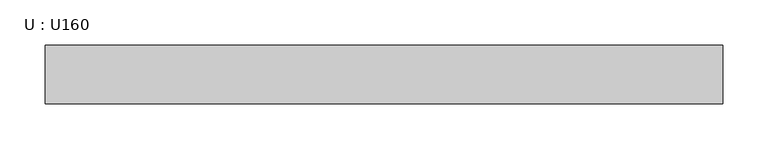
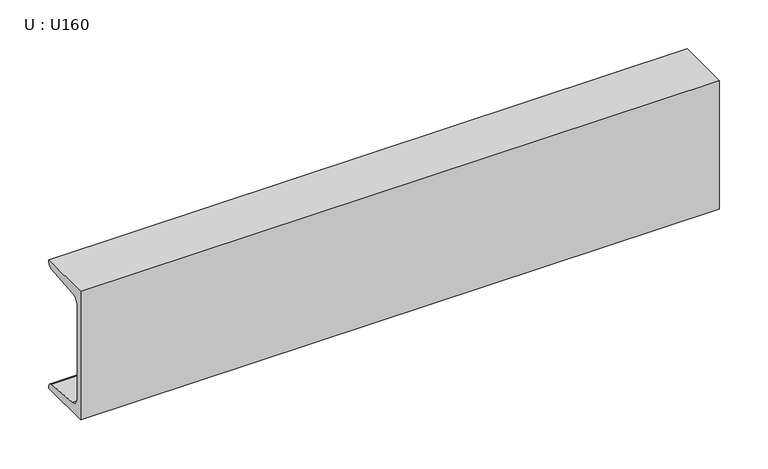
"""IFC4 building model written with IfcOpenShell, lengths in millimetres: beam geometry, U : U160."""

from ifc_helpers import new_model, si_unit, point, frame, frame_2d, origin, place, context, project, spatial, polyline, circle_curve, trimmed, segment, composite_curve, outline, extrude, source, transform, mapped, element, save


def u_u160_1b0ee558(model_context):
    return source(origin(), model_context, "Body", "SweptSolid", [
        extrude(outline(composite_curve([segment(polyline([(-18.4, 80.0), (46.6, 80.0), (46.6, 77.1756821)]), True, "CONTINUOUS"), segment(trimmed(circle_curve(frame_2d((41.1, 77.1756821)), 5.5), [point((46.6, 77.1756821))], [point((41.5382235, 71.693168))], False, "CARTESIAN"), True, "CONTINUOUS"), segment(polyline([(41.5382235, 71.693168), (-1.2366085, 68.2741277)]), True, "CONTINUOUS"), segment(trimmed(circle_curve(frame_2d((-0.4, 57.8075099)), 10.5), [point((-1.2366085, 68.2741277))], [point((-10.9, 57.8075099))], True, "CARTESIAN"), True, "CONTINUOUS"), segment(polyline([(-10.9, 57.8075099), (-10.9, -57.8075099)]), True, "CONTINUOUS"), segment(trimmed(circle_curve(frame_2d((-0.4, -57.8075099)), 10.5), [point((-10.9, -57.8075099))], [point((-1.2366085, -68.2741277))], True, "CARTESIAN"), True, "CONTINUOUS"), segment(polyline([(-1.2366085, -68.2741277), (41.5382235, -71.693168)]), True, "CONTINUOUS"), segment(trimmed(circle_curve(frame_2d((41.1, -77.1756821)), 5.5), [point((41.5382235, -71.693168))], [point((46.6, -77.1756821))], False, "CARTESIAN"), True, "CONTINUOUS"), segment(polyline([(46.6, -77.1756821), (46.6, -80.0), (-18.4, -80.0), (-18.4, 80.0)]), True, "CONTINUOUS")], self_intersect=False)), frame((-376.0, 0.0, 0.0), z_axis=(1.0, 0.0, 0.0), x_axis=(0.0, 1.0, 0.0)), (0.0, 0.0, 1.0), 752.0),
    ])


if __name__ == "__main__":
    model = new_model("IFC4")
    model_context = context("Model", 3, world=origin())
    ifc_project = project(units=[si_unit("LENGTHUNIT", "METRE", prefix="MILLI")], contexts=[model_context])
    site = spatial("IfcSite", under=ifc_project)
    building = spatial("IfcBuilding", under=site)
    placement = place(None, origin())
    u_u160_shape = u_u160_1b0ee558(model_context)
    element("IfcBeam", 1, ObjectType="U : U160", at=placement, inside=building, context=model_context, shape_type="MappedRepresentation", body=[
        mapped(u_u160_shape, transform((0.0, 0.0, 0.0), x_axis=(1.0, 0.0, 0.0), y_axis=(0.0, 1.0, 0.0), z_axis=(0.0, 0.0, 1.0))),
    ])
    save(model, "model.ifc")
